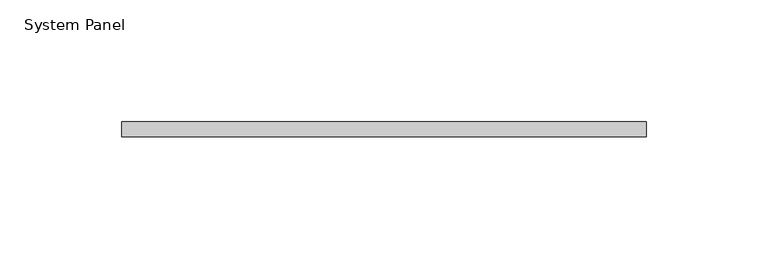
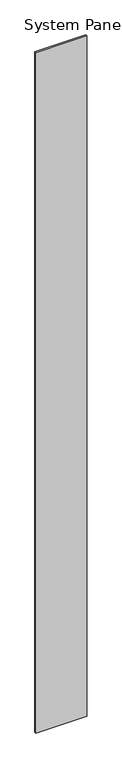
"""IFC4 building model written with IfcOpenShell, lengths in millimetres: plate geometry, System Panel."""

from ifc_helpers import new_model, si_unit, origin, origin_with_axes, place, context, project, spatial, polyline, outline, extrude, source, transform, mapped, element, save


def system_panel_34986c04(model_context):
    return source(origin(), model_context, "Body", "SweptSolid", [
        extrude(outline(polyline([(107.95, 0.0), (-107.95, 0.0), (-107.95, 6.35), (107.95, 6.35), (107.95, 0.0)])), origin_with_axes(), (0.0, 0.0, 1.0), 3048.0),
    ])


if __name__ == "__main__":
    model = new_model("IFC4")
    model_context = context("Model", 3, world=origin())
    ifc_project = project(units=[si_unit("LENGTHUNIT", "METRE", prefix="MILLI")], contexts=[model_context])
    site = spatial("IfcSite", under=ifc_project)
    building = spatial("IfcBuilding", under=site)
    placement = place(None, origin())
    system_panel_shape = system_panel_34986c04(model_context)
    element("IfcPlate", 1, ObjectType="System Panel", at=placement, inside=building, context=model_context, shape_type="MappedRepresentation", body=[
        mapped(system_panel_shape, transform((0.0, 0.0, 0.0), x_axis=(1.0, 0.0, 0.0), y_axis=(0.0, 1.0, 0.0), z_axis=(0.0, 0.0, 1.0))),
    ])
    save(model, "model.ifc")
